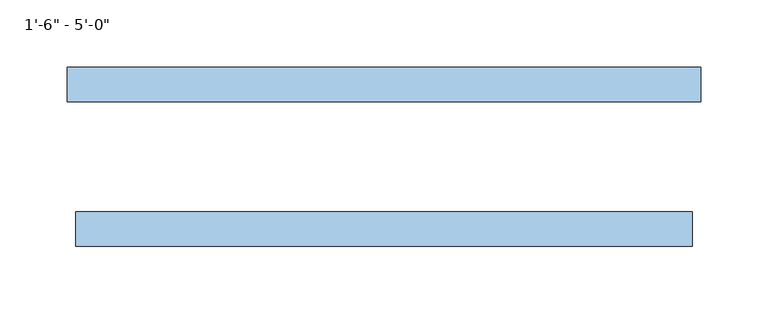
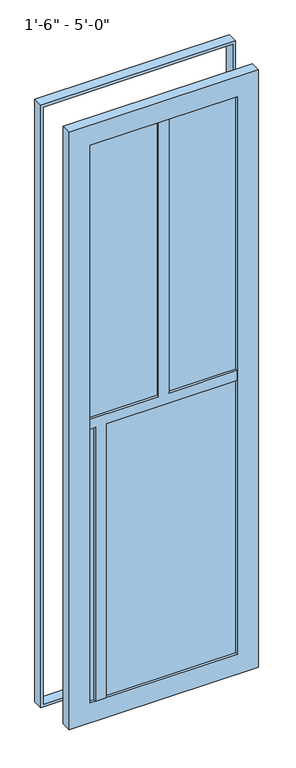
"""IFC4 building model written with IfcOpenShell, lengths in millimetres: window geometry."""

from ifc_helpers import new_model, si_unit, frame, origin, place, context, project, spatial, polyline, outline, extrude, source, transform, mapped, element, save


def window_b11f8d76(model_context):
    return source(origin(), model_context, "Body", "SweptSolid", [
        extrude(outline(polyline([(2444.75, -234.95), (908.05, -234.95), (908.05, 234.95), (2444.75, 234.95), (2444.75, -234.95)]), holes=[polyline([(2438.4, -228.6), (2438.4, 228.6), (914.4, 228.6), (914.4, -228.6), (2438.4, -228.6)])]), frame((0.0, 107.15625, 0.0), z_axis=(0.0, 1.0, 0.0), x_axis=(0.0, 0.0, 1.0)), (0.0, 0.0, 1.0), 25.4),
        extrude(outline(polyline([(177.8, 6.35), (-177.8, 6.35), (-177.8, 19.05), (177.8, 19.05), (177.8, 6.35)])), frame((0.0, 0.0, 965.2), z_axis=(0.0, 0.0, 1.0), x_axis=(1.0, 0.0, 0.0)), (0.0, 0.0, 1.0), 1422.4),
        extrude(outline(polyline([(1689.1, -12.7), (1689.1, -177.8), (1663.7, -177.8), (1663.7, -12.7), (965.2, -12.7), (965.2, 12.7), (1663.7, 12.7), (1663.7, 177.8), (1689.1, 177.8), (1689.1, 12.7), (2387.6, 12.7), (2387.6, -12.7), (1689.1, -12.7)])), frame((0.0, 19.05, 0.0), z_axis=(0.0, 1.0, 0.0), x_axis=(0.0, 0.0, 1.0)), (0.0, 0.0, 1.0), 6.35),
        extrude(outline(polyline([(1689.1, -12.7), (1689.1, -177.8), (1663.7, -177.8), (1663.7, -165.1), (965.2, -165.1), (965.2, -139.7), (1663.7, -139.7), (1663.7, 177.8), (1689.1, 177.8), (1689.1, 12.7), (2387.6, 12.7), (2387.6, -12.7), (1689.1, -12.7)])), frame((0.0, 0.0, 0.0), z_axis=(0.0, 1.0, 0.0), x_axis=(0.0, 0.0, 1.0)), (0.0, 0.0, 1.0), 6.35),
        extrude(outline(polyline([(2438.4, -228.6), (914.4, -228.6), (914.4, 228.6), (2438.4, 228.6), (2438.4, -228.6)]), holes=[polyline([(2387.6, 177.8), (965.2, 177.8), (965.2, -177.8), (2387.6, -177.8), (2387.6, 177.8)])]), frame((0.0, 0.0, 0.0), z_axis=(0.0, 1.0, 0.0), x_axis=(0.0, 0.0, 1.0)), (0.0, 0.0, 1.0), 25.4),
    ])


if __name__ == "__main__":
    model = new_model("IFC4")
    model_context = context("Model", 3, world=origin())
    ifc_project = project(units=[si_unit("LENGTHUNIT", "METRE", prefix="MILLI")], contexts=[model_context])
    site = spatial("IfcSite", under=ifc_project)
    building = spatial("IfcBuilding", under=site)
    placement = place(None, origin())
    window_shape = window_b11f8d76(model_context)
    element("IfcWindow", 1, ObjectType="1'-6\" - 5'-0\"", at=placement, inside=building, context=model_context, shape_type="MappedRepresentation", body=[
        mapped(window_shape, transform((0.0, 0.0, 0.0), x_axis=(1.0, 0.0, 0.0), y_axis=(0.0, 1.0, 0.0), z_axis=(0.0, 0.0, 1.0))),
    ])
    save(model, "model.ifc")
